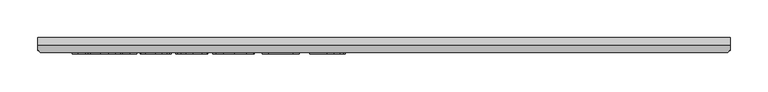
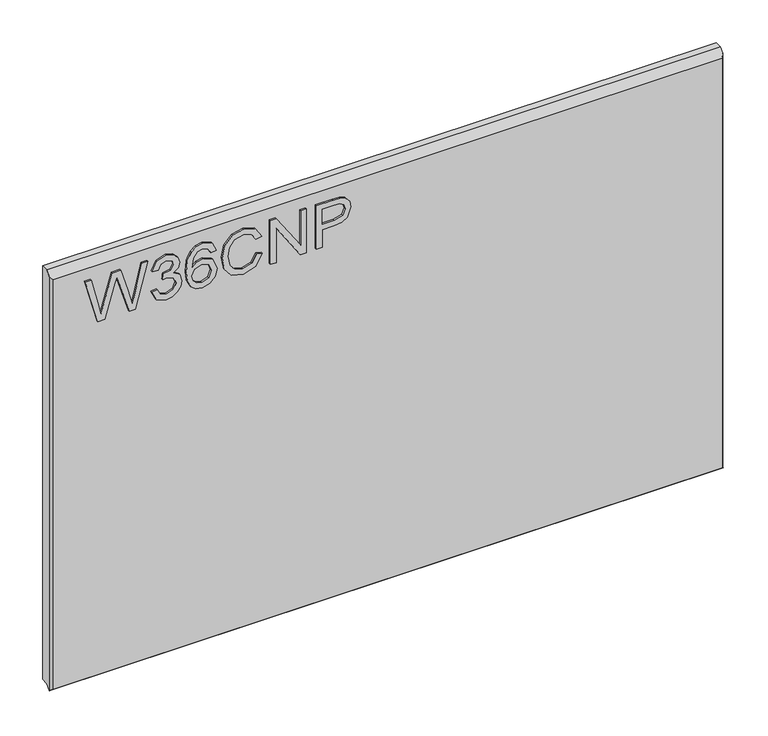
"""IFC4 building model written with IfcOpenShell, lengths in millimetres: furniture geometry."""

from ifc_helpers import new_model, si_unit, frame, origin, place, context, project, spatial, polyline, outline, extrude, faceted_brep, source, transform, mapped, element, save


def furniture_9643d554(model_context):
    return source(origin(), model_context, "Body", "SolidModel", [
        extrude(outline(polyline([(1017.7145, -528.3850114), (1017.7145, -518.951598), (1064.5762788, -505.2899393), (1072.6816875, -502.9392182), (1065.9500769, -500.8479922), (1017.7145, -485.8583287), (1017.7145, -477.5086893), (1080.2375769, -460.4430643), (1080.2375769, -468.5026797), (1038.7794038, -478.4856124), (1026.4610144, -481.4469105), (1049.3881779, -488.1479922), (1080.2375769, -497.1540018), (1080.2375769, -508.7702278), (1037.6803654, -521.1649393), (1026.4610144, -524.4315259), (1039.14575, -527.4844105), (1080.2375769, -537.3757566), (1080.2375769, -545.435372), (1017.7145, -528.3850114)])), frame((0.0, -21.9273437, 0.0), z_axis=(0.0, 1.0, 0.0), x_axis=(0.0, 0.0, 1.0)), (0.0, 0.0, 1.0), 2.38125),
        extrude(outline(polyline([(1034.3221923, -455.5584489), (1021.6374567, -449.3458287), (1016.7375769, -435.6383768), (1018.1724327, -427.2849213), (1022.477, -420.5113335), (1028.8422644, -416.0235932), (1036.4592115, -414.5276797), (1046.6253173, -417.5195066), (1051.9678654, -426.0370547), (1057.1425048, -419.625997), (1064.3473125, -417.4584489), (1072.231387, -419.7404802), (1078.0929255, -426.3347109), (1080.2375769, -435.7604922), (1075.8872163, -448.1857326), (1063.6298846, -454.5815259), (1062.6529615, -446.7661412), (1069.9798846, -442.934771), (1072.4221923, -435.4857326), (1070.0027813, -428.1282807), (1063.8893798, -425.2738335), (1056.9898606, -429.2120547), (1054.8375769, -439.3323672), (1047.0221923, -440.2024393), (1047.877, -434.7225114), (1044.6791034, -425.8386172), (1036.5965913, -422.3430643), (1028.0179856, -425.869146), (1024.5529615, -435.3636172), (1027.0715913, -443.4308648), (1035.2991154, -447.7430643), (1034.3221923, -455.5584489)])), frame((0.0, -21.9273437, 0.0), z_axis=(0.0, 1.0, 0.0), x_axis=(0.0, 0.0, 1.0)), (0.0, 0.0, 1.0), 2.38125),
        extrude(outline(polyline([(1063.6298846, -367.635372), (1075.8261587, -373.4053239), (1080.2375769, -385.7542422), (1078.4554555, -394.8251256), (1073.1090913, -401.8276797), (1062.4659724, -406.9565259), (1046.9000769, -408.6661412), (1033.0552452, -407.1263426), (1023.7592115, -402.5069465), (1018.4929856, -395.4452428), (1016.7375769, -386.578521), (1019.3859543, -376.3360932), (1027.0181659, -369.2381364), (1037.8024808, -366.6584489), (1052.1968317, -372.1383768), (1057.7683462, -385.4184249), (1055.7305457, -393.9588696), (1049.4950288, -400.8507566), (1063.4238149, -398.6297831), (1070.5294038, -393.2948672), (1072.4221923, -386.2427037), (1069.1708702, -378.4120547), (1062.6529615, -375.4507566), (1063.6298846, -367.635372)]), holes=[polyline([(1037.9245962, -400.8507566), (1046.6329495, -396.9659609), (1049.9529615, -387.5096509), (1046.6329495, -377.9312254), (1037.5429856, -374.4738335), (1028.0485144, -377.9770186), (1024.5529615, -387.189098), (1026.2396803, -394.2336292), (1031.1548245, -399.0419225), (1037.9245962, -400.8507566)])]), frame((0.0, -21.9273438, 0.0), z_axis=(0.0, 1.0, 0.0), x_axis=(0.0, 0.0, 1.0)), (0.0, 0.0, 1.0), 2.38125),
        extrude(outline(polyline([(1039.9395, -312.9276797), (1028.430125, -319.5600715), (1024.5529615, -331.519747), (1027.3997764, -342.3040619), (1036.0012788, -349.6462494), (1049.4645, -352.0046028), (1061.080726, -350.0125956), (1070.0562067, -343.1054441), (1073.3991154, -330.8786412), (1070.3843918, -320.3156605), (1060.7754375, -313.9046028), (1062.6376971, -306.0892182), (1076.345149, -314.9196869), (1081.2145, -330.5733528), (1077.4518197, -345.5935451), (1066.4385385, -356.1183648), (1049.4492356, -359.8199874), (1032.7346923, -356.5457686), (1020.8437067, -347.0055042), (1016.7375769, -330.7412614), (1022.1640793, -314.3777999), (1037.9245962, -305.1122951), (1039.9395, -312.9276797)])), frame((0.0, -21.9273437, 0.0), z_axis=(0.0, 1.0, 0.0), x_axis=(0.0, 0.0, 1.0)), (0.0, 0.0, 1.0), 2.38125),
        extrude(outline(polyline([(1017.7145, -294.3661412), (1017.7145, -286.5507566), (1067.2628173, -286.5507566), (1017.7145, -253.8848912), (1017.7145, -245.5199874), (1080.2375769, -245.5199874), (1080.2375769, -253.335372), (1030.704524, -253.335372), (1080.2375769, -286.0012374), (1080.2375769, -294.3661412), (1017.7145, -294.3661412)])), frame((0.0, -21.9273438, 0.0), z_axis=(0.0, 1.0, 0.0), x_axis=(0.0, 0.0, 1.0)), (0.0, 0.0, 1.0), 2.38125),
        extrude(outline(polyline([(1017.7145, -231.8430643), (1017.7145, -224.0276797), (1043.1145, -224.0276797), (1043.1145, -208.1374153), (1044.4959303, -197.0344555), (1048.6402212, -189.980384), (1062.1492356, -184.9507566), (1070.6744159, -186.8130162), (1076.7191274, -191.7357927), (1079.6422644, -199.3298432), (1080.2375769, -208.6716701), (1080.2375769, -231.8430643), (1017.7145, -231.8430643)]), holes=[polyline([(1050.9298846, -224.0276797), (1072.4221923, -224.0276797), (1072.4221923, -207.8626557), (1071.8879375, -200.047271), (1068.3465913, -194.7734129), (1061.874476, -192.7661412), (1053.7995962, -196.1701076), (1050.9298846, -207.6794826), (1050.9298846, -224.0276797)])]), frame((0.0, -21.9273437, 0.0), z_axis=(0.0, 1.0, 0.0), x_axis=(0.0, 0.0, 1.0)), (0.0, 0.0, 1.0), 2.38125),
        faceted_brep([(-590.8622951, 0.0, 1106.6145), (-590.8622951, 0.0, 512.7625), (-590.8622951, -10.0210937, 512.7625), (-590.8622951, -15.9392937, 506.8443), (-590.8622951, -15.9900937, 1100.6455), (-590.8622951, -10.0210937, 1106.6145), (-590.8622951, -16.3710938, 506.4125), (-590.8622951, -16.8028938, 506.8443), (323.5377049, 0.0, 512.7625), (323.5377049, 0.0, 1106.6145), (323.5377049, -10.0210938, 1106.6145), (323.5377049, -15.9900937, 1100.6455), (323.5377049, -15.9900937, 506.8443), (323.5377049, -10.0210937, 512.7625), (323.5377049, -16.8028938, 506.8443), (323.5377049, -16.3710938, 506.4125), (-587.6872951, -19.5460937, 1097.0895), (-587.6872951, -19.5460937, 509.5875), (320.3627049, -19.5460938, 509.5875), (320.3627049, -19.5460938, 1097.0895), (322.8119906, -16.8028938, 506.8443), (-590.1365808, -16.8028938, 506.8443)], [[[0, 1, 2, 3, 4, 5]], [[3, 6, 7]], [[8, 9, 10, 11, 12, 13]], [[14, 15, 12]], [[9, 0, 5, 10]], [[1, 0, 9, 8]], [[1, 8, 13, 2]], [[16, 17, 18, 19]], [[15, 6, 3, 2, 13, 12]], [[6, 15, 14, 20, 18, 17, 21, 7]], [[10, 5, 4, 16, 19, 11]], [[21, 3, 7]], [[12, 20, 14]], [[3, 21, 17, 16, 4]], [[20, 12, 11, 19, 18]]]),
    ])


if __name__ == "__main__":
    model = new_model("IFC4")
    model_context = context("Model", 3, world=origin())
    ifc_project = project(units=[si_unit("LENGTHUNIT", "METRE", prefix="MILLI")], contexts=[model_context])
    site = spatial("IfcSite", under=ifc_project)
    building = spatial("IfcBuilding", under=site)
    placement = place(None, origin())
    furniture_shape = furniture_9643d554(model_context)
    element("IfcFurniture", 1, at=placement, inside=building, context=model_context, shape_type="MappedRepresentation", body=[
        mapped(furniture_shape, transform((0.0, 0.0, 0.0), x_axis=(1.0, 0.0, 0.0), y_axis=(0.0, 1.0, 0.0), z_axis=(0.0, 0.0, 1.0))),
    ])
    save(model, "model.ifc")
